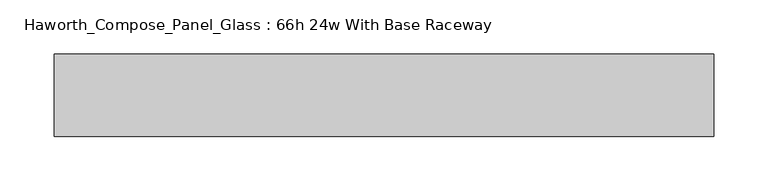
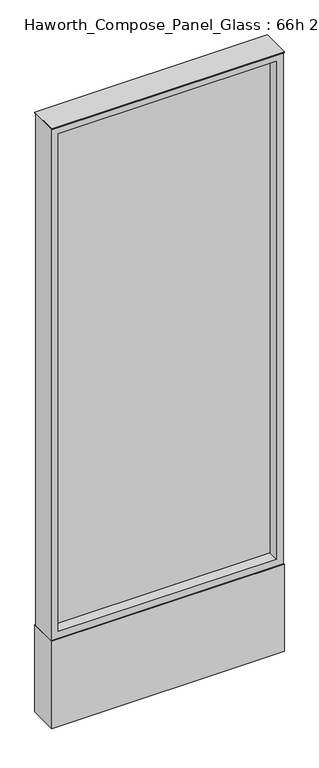
"""IFC4 building model written with IfcOpenShell, lengths in millimetres: furniture geometry, Haworth_Compose_Panel_Glass : 66h 24w With Base Raceway."""

from ifc_helpers import new_model, si_unit, point, frame, frame_2d, origin, origin_with_axes, place, context, project, spatial, polyline, circle_curve, trimmed, segment, composite_curve, outline, extrude, source, transform, mapped, element, save


def haworth_compose_panel_glass_66h_24w_with_base_raceway_0f1c7c26(model_context):
    return source(origin(), model_context, "Body", "SweptSolid", [
        extrude(outline(composite_curve([segment(trimmed(circle_curve(frame_2d((231.0402902, 0.0)), 12.7), [point((218.3402902, 0.0))], [point((243.7402902, 0.0))], False, "CARTESIAN"), True, "CONTINUOUS"), segment(trimmed(circle_curve(frame_2d((231.0402902, 0.0)), 12.7), [point((243.7402902, 0.0))], [point((218.3402902, 0.0))], False, "CARTESIAN"), True, "CONTINUOUS")], self_intersect=False)), origin_with_axes(), (0.0, 0.0, 1.0), 12.7),
        extrude(outline(composite_curve([segment(trimmed(circle_curve(frame_2d((-226.1597098, 0.0)), 12.7), [point((-238.8597098, 0.0))], [point((-213.4597098, 0.0))], False, "CARTESIAN"), True, "CONTINUOUS"), segment(trimmed(circle_curve(frame_2d((-226.1597098, 0.0)), 12.7), [point((-213.4597098, 0.0))], [point((-238.8597098, 0.0))], False, "CARTESIAN"), True, "CONTINUOUS")], self_intersect=False)), origin_with_axes(), (0.0, 0.0, 1.0), 12.7),
        extrude(outline(polyline([(288.1902902, -6.35), (-283.3097098, -6.35), (-283.3097098, 6.35), (288.1902902, 6.35), (288.1902902, -6.35)])), frame((0.0, 0.0, 273.05), z_axis=(0.0, 0.0, 1.0), x_axis=(1.0, 0.0, 0.0)), (0.0, 0.0, 1.0), 1377.95),
        extrude(outline(polyline([(1670.05, -302.3597098), (254.0, -302.3597098), (254.0, 307.2402902), (1670.05, 307.2402902), (1670.05, -302.3597098)]), holes=[polyline([(1651.0, 288.1902902), (273.05, 288.1902902), (273.05, -283.3097098), (1651.0, -283.3097098), (1651.0, 288.1902902)])]), frame((0.0, -34.925, 0.0), z_axis=(0.0, 1.0, 0.0), x_axis=(0.0, 0.0, 1.0)), (0.0, 0.0, 1.0), 69.85),
        extrude(outline(polyline([(-302.3597098, 38.1), (307.2402902, 38.1), (307.2402902, -38.1), (-302.3597098, -38.1), (-302.3597098, 38.1)])), frame((0.0, 0.0, 12.7), z_axis=(0.0, 0.0, 1.0), x_axis=(1.0, 0.0, 0.0)), (0.0, 0.0, 1.0), 241.3),
        extrude(outline(polyline([(-302.3597098, -38.1), (-302.3597098, 38.1), (307.2402902, 38.1), (307.2402902, -38.1), (-302.3597098, -38.1)])), frame((0.0, 0.0, 1670.05), z_axis=(0.0, 0.0, 1.0), x_axis=(1.0, 0.0, 0.0)), (0.0, 0.0, 1.0), 3.175),
    ])


if __name__ == "__main__":
    model = new_model("IFC4")
    model_context = context("Model", 3, world=origin())
    ifc_project = project(units=[si_unit("LENGTHUNIT", "METRE", prefix="MILLI")], contexts=[model_context])
    site = spatial("IfcSite", under=ifc_project)
    building = spatial("IfcBuilding", under=site)
    placement = place(None, origin())
    haworth_compose_panel_glass_66h_24w_with_base_raceway_shape = haworth_compose_panel_glass_66h_24w_with_base_raceway_0f1c7c26(model_context)
    element("IfcFurniture", 1, ObjectType="Haworth_Compose_Panel_Glass : 66h 24w With Base Raceway", at=placement, inside=building, context=model_context, shape_type="MappedRepresentation", body=[
        mapped(haworth_compose_panel_glass_66h_24w_with_base_raceway_shape, transform((0.0, 0.0, 0.0), x_axis=(1.0, 0.0, 0.0), y_axis=(0.0, 1.0, 0.0), z_axis=(0.0, 0.0, 1.0))),
    ])
    save(model, "model.ifc")
